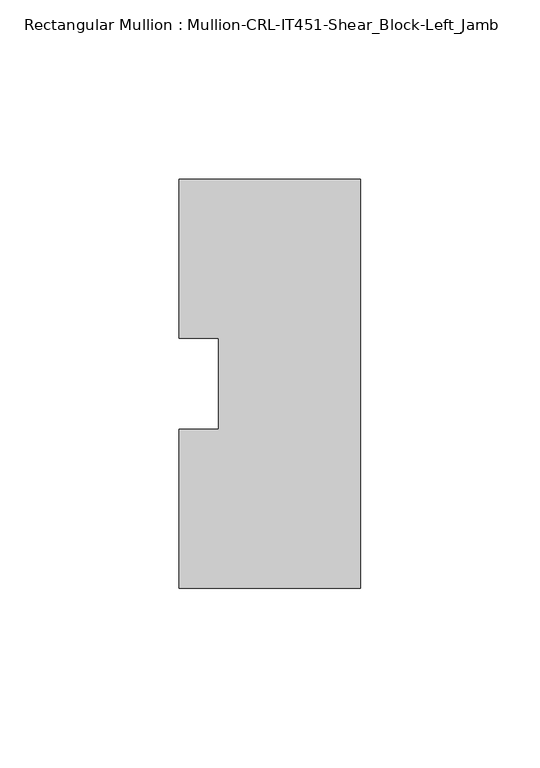
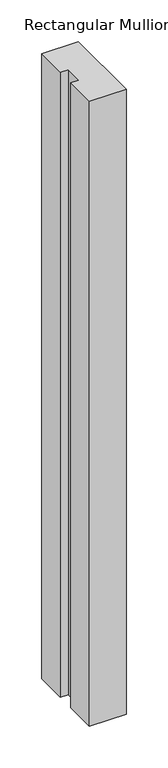
"""IFC4 building model written with IfcOpenShell, lengths in millimetres: member geometry, Rectangular Mullion : Mullion-CRL-IT451-Shear_Block-Left_Jamb."""

from ifc_helpers import new_model, si_unit, frame, origin, place, context, project, spatial, polyline, outline, extrude, source, transform, mapped, element, save


def rectangular_mullion_mullion_crl_it451_shear_block_left_jamb_7a0be986(model_context):
    return source(origin(), model_context, "Body", "SweptSolid", [
        extrude(outline(polyline([(0.0, -57.1909821), (-50.8, -57.1909821), (-50.8, -12.7), (-39.6875, -12.7), (-39.6875, 12.7), (-50.8, 12.7), (-50.8, 57.1090179), (0.0, 57.1090179), (0.0, -57.1909821)])), frame((0.0, 0.0, -914.4), z_axis=(0.0, 0.0, 1.0), x_axis=(1.0, 0.0, 0.0)), (0.0, 0.0, 1.0), 914.4),
    ])


if __name__ == "__main__":
    model = new_model("IFC4")
    model_context = context("Model", 3, world=origin())
    ifc_project = project(units=[si_unit("LENGTHUNIT", "METRE", prefix="MILLI")], contexts=[model_context])
    site = spatial("IfcSite", under=ifc_project)
    building = spatial("IfcBuilding", under=site)
    placement = place(None, origin())
    rectangular_mullion_mullion_crl_it451_shear_block_left_jamb_shape = rectangular_mullion_mullion_crl_it451_shear_block_left_jamb_7a0be986(model_context)
    element("IfcMember", 1, ObjectType="Rectangular Mullion : Mullion-CRL-IT451-Shear_Block-Left_Jamb", at=placement, inside=building, context=model_context, shape_type="MappedRepresentation", body=[
        mapped(rectangular_mullion_mullion_crl_it451_shear_block_left_jamb_shape, transform((0.0, 0.0, 0.0), x_axis=(1.0, 0.0, 0.0), y_axis=(0.0, 1.0, 0.0), z_axis=(0.0, 0.0, 1.0))),
    ])
    save(model, "model.ifc")
